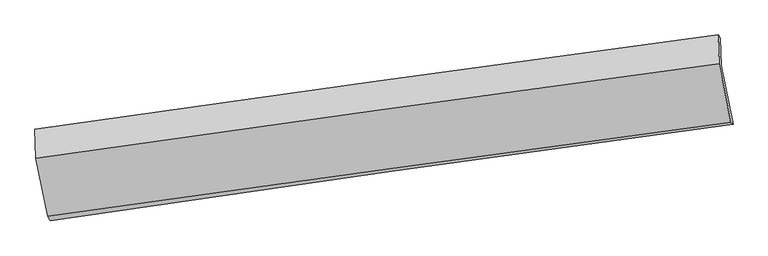
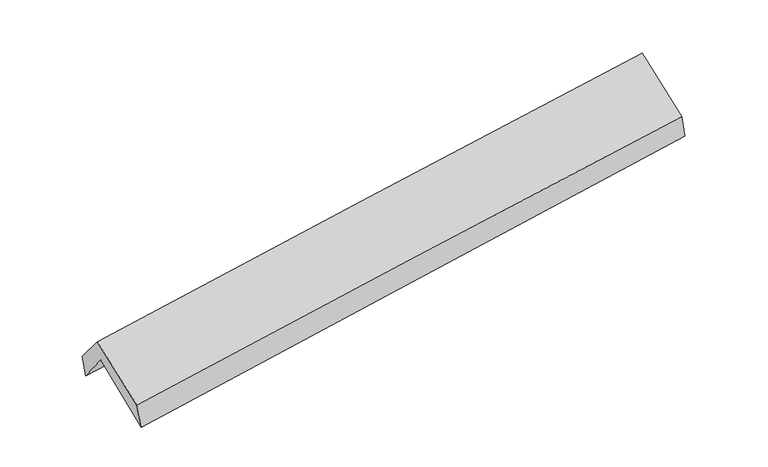
"""IFC4 building model written with IfcOpenShell, lengths in millimetres: proxy geometry."""

from ifc_helpers import new_model, si_unit, frame, origin, place, context, project, spatial, source, transform, mapped, element, save
from ifc_brep_helpers import plane_surface, spline_curve, spline_surface, advanced_brep


def generic_models_cf2023c1(model_context):
    return source(origin(), model_context, "Body", "AdvancedBrep", [
        advanced_brep(
        [(-2903.9904913, -2512.7760789, 1434.3522926), (-3011.568077, -1992.834088, 1874.6681934), (2951.1918659, -1161.4131686, 2360.7609326), (3055.7611963, -1671.9461979, 1941.1529898), (-3019.147864, -1743.6047559, 1557.8176738), (2944.7744811, -918.6139976, 2040.4814883), (-3039.237502, -1714.6103452, 1751.4825925), (2924.4333981, -890.2941796, 2238.2680206), (-3030.4565313, -1964.9974515, 2055.8113953), (2933.3257759, -1143.8580292, 2546.4579425), (-2927.2469775, -2475.2178728, 1652.011517), (3035.9095808, -1650.985037, 2145.1062611)],
        [
            (0, 1),
            (1, 2, spline_curve(3, [(-3011.568077, -1992.834088, 1874.6681934), (-2018.267040838, -1845.401436281, 1946.98905059), (-1024.715759867, -1702.399498704, 2023.657577451), (962.870895957, -1425.259338724, 2185.688633897), (1956.906262422, -1291.120969705, 2271.051020144), (2951.1918659, -1161.4131686, 2360.7609326)], [4, 2, 4], [0.0, 9.90846097045745, 19.816758465417912])),
            (2, 3),
            (3, 0, spline_curve(3, [(3055.7611963, -1671.9461979, 1941.1529898), (2061.865475081, -1804.437155881, 1851.317995327), (1068.275734905, -1940.751181913, 1764.167432901), (-918.308171143, -2221.027682788, 1595.233778705), (-1911.302326808, -2364.990283686, 1513.450775227), (-2903.9904913, -2512.7760789, 1434.3522926)], [4, 2, 4], [0.0, 9.908297494960463, 19.816758465417912])),
            (1, 4),
            (4, 5, spline_curve(3, [(-3019.147864, -1743.6047559, 1557.8176738), (-2024.14023767, -1608.47414219, 1629.786749646), (-1029.638800224, -1472.159028376, 1705.99363909), (958.335298117, -1197.162069972, 1866.881716887), (1951.807975542, -1058.480264237, 1951.56276589), (2944.7744811, -918.6139976, 2040.4814883)], [4, 2, 4], [0.0, 9.908392044396642, 19.81662061443348])),
            (5, 2),
            (4, 6),
            (6, 7, spline_curve(3, [(-3039.237502, -1714.6103452, 1751.4825925), (-2045.983685924, -1573.537205385, 1834.776407224), (-1052.380100235, -1434.307069789, 1916.989092609), (935.51021142, -1159.535075703, 2079.250866236), (1929.796925623, -1023.993155785, 2159.299990353), (2924.4333981, -890.2941796, 2238.2680206)], [4, 2, 4], [0.0, 9.908271466327047, 19.816379460283656])),
            (7, 5),
            (6, 8),
            (8, 9, spline_curve(3, [(-3030.4565313, -1964.9974515, 2055.8113953), (-2037.221283576, -1823.394841146, 2138.46167421), (-1043.617697872, -1684.164705991, 2220.674359604), (944.309750151, -1410.451643365, 2384.223194024), (1938.633600305, -1275.968638031, 2465.559357689), (2933.3257759, -1143.8580292, 2546.4579425)], [4, 2, 4], [0.0, 9.908264712878543, 19.81636595349807])),
            (9, 7),
            (8, 10),
            (10, 11, spline_curve(3, [(-2927.2469775, -2475.2178728, 1652.011517), (-1933.844413894, -2334.442395074, 1734.007184627), (-940.209317509, -2195.36803391, 1816.09658684), (1047.509543108, -1920.623811753, 1980.461504455), (2041.593299389, -1784.953894039, 2062.737017177), (3035.9095808, -1650.985037, 2145.1062611)], [4, 2, 4], [0.0, 9.908254698254735, 19.816345924415682])),
            (11, 9),
            (10, 0),
            (3, 11),
        ],
        [
            spline_surface(3, 3, [[(-2903.9904913, -2512.7760789, 1434.3522926), (-1911.30232685, -2364.99028362, 1513.450775322), (-918.308171093, -2221.027682784, 1595.233778635), (1068.275734855, -1940.751181916, 1764.167432971), (2061.865474996, -1804.437155795, 1851.317995348), (3055.7611963, -1671.9461979, 1941.1529898)], [(-2939.849686546, -2339.46208192, 1581.124259542), (-1946.957231566, -2191.794001166, 1657.963533733), (-953.77736736, -2048.151621466, 1738.041711551), (1033.140788566, -1768.920567467, 1904.674499944), (2026.879070851, -1633.331760396, 1991.229003583), (3020.904752831, -1501.768521479, 2081.022304037)], [(-2975.708881754, -2166.14808498, 1727.896226458), (-1982.612136246, -2018.597718752, 1802.476292119), (-989.24656363, -1875.275560163, 1880.849644504), (998.005842276, -1597.089953032, 2045.181566955), (1991.892666713, -1462.22636496, 2131.140011906), (2986.048309369, -1331.590845021, 2220.891618363)], [(-3011.568077, -1992.834088, 1874.6681934), (-2018.267040962, -1845.401436298, 1946.989050531), (-1024.715759898, -1702.399498845, 2023.657577419), (962.870895987, -1425.259338583, 2185.688633929), (1956.906262568, -1291.12096956, 2271.05102014), (2951.1918659, -1161.4131686, 2360.7609326)]], [4, 4], [4, 2, 4], [0.0, 2.223162782836033], [0.0, 9.90846097045745, 19.816758465417912]),
            spline_surface(3, 3, [[(-3011.568077, -1992.834088, 1874.6681934), (-2018.267040962, -1845.401436298, 1946.989050531), (-1024.715759898, -1702.399498845, 2023.657577419), (962.870895987, -1425.259338583, 2185.688633929), (1956.906262568, -1291.12096956, 2271.05102014), (2951.1918659, -1161.4131686, 2360.7609326)], [(-3014.094672641, -1909.757643969, 1769.051353526), (-2020.224773219, -1766.425671567, 1841.254950266), (-1026.356773327, -1625.652675382, 1917.769597965), (961.359030032, -1349.226915697, 2079.41966164), (1955.20683358, -1213.574067746, 2164.554935415), (2949.052737642, -1080.480111587, 2254.001117848)], [(-3016.621268359, -1826.681199931, 1663.434513674), (-2022.182505552, -1687.44990683, 1735.520850023), (-1027.997786778, -1548.905851902, 1811.88161844), (959.847164056, -1273.194492794, 1973.15068928), (1953.507404566, -1136.027165973, 2058.058850646), (2946.913609358, -999.547054613, 2147.241303052)], [(-3019.147864, -1743.6047559, 1557.8176738), (-2024.140237809, -1608.474142099, 1629.786749758), (-1029.638800207, -1472.159028439, 1705.993638985), (958.335298101, -1197.162069909, 1866.881716991), (1951.807975578, -1058.480264159, 1951.562765921), (2944.7744811, -918.6139976, 2040.4814883)]], [4, 4], [4, 2, 4], [0.0, 1.286719000641371], [0.0, 9.908392044396642, 19.81662061443348]),
            spline_surface(3, 3, [[(-3019.147864, -1743.6047559, 1557.8176738), (-2024.140237809, -1608.474142099, 1629.786749758), (-1029.638800207, -1472.159028439, 1705.993638985), (958.335298101, -1197.162069909, 1866.881716991), (1951.807975578, -1058.480264159, 1951.562765921), (2944.7744811, -918.6139976, 2040.4814883)], [(-3025.844410015, -1733.939952325, 1622.372646717), (-2031.42138718, -1596.828496473, 1698.116635573), (-1037.219233542, -1459.541708953, 1776.325456832), (950.726935858, -1184.619738473, 1937.671433391), (1944.470958976, -1046.984561331, 2020.808507345), (2937.994120117, -909.174058274, 2106.410332385)], [(-3032.540955985, -1724.275148775, 1686.927619583), (-2038.702536507, -1585.18285087, 1766.446521337), (-1044.799666865, -1446.924389423, 1846.657274743), (943.118573627, -1172.077406991, 2008.461149855), (1937.133942322, -1035.488858481, 2090.054248815), (2931.213759083, -899.734118926, 2172.339176515)], [(-3039.237502, -1714.6103452, 1751.4825925), (-2045.983685879, -1573.537205243, 1834.776407152), (-1052.3801002, -1434.307069937, 1916.98909259), (935.510211385, -1159.535075555, 2079.250866255), (1929.796925719, -1023.993155653, 2159.299990239), (2924.4333981, -890.2941796, 2238.2680206)]], [4, 4], [4, 2, 4], [0.0, 0.7093956868541447], [0.0, 9.908271466327047, 19.816379460283656]),
            spline_surface(3, 3, [[(-3039.237502, -1714.6103452, 1751.4825925), (-2045.983685879, -1573.537205243, 1834.776407152), (-1052.3801002, -1434.307069937, 1916.98909259), (935.510211385, -1159.535075555, 2079.250866255), (1929.796925719, -1023.993155653, 2159.299990239), (2924.4333981, -890.2941796, 2238.2680206)], [(-3036.310511768, -1798.072713971, 1852.92552674), (-2043.062885081, -1656.823083909, 1936.004829457), (-1049.459299401, -1517.592948603, 2018.217514895), (938.443390949, -1243.17393152, 2180.90830889), (1932.742483845, -1107.984983093, 2261.386446126), (2927.397524017, -974.815462799, 2340.997994594)], [(-3033.383521532, -1881.535082729, 1954.36846106), (-2040.142084279, -1740.108962561, 2037.233251843), (-1046.5384986, -1600.878827255, 2119.445937181), (941.376570516, -1326.812787471, 2282.565751506), (1935.688042021, -1191.976810538, 2363.472901929), (2930.361649983, -1059.336746001, 2443.727968506)], [(-3030.4565313, -1964.9974515, 2055.8113953), (-2037.221283481, -1823.394841226, 2138.461674149), (-1043.617697801, -1684.16470592, 2220.674359487), (944.30975008, -1410.451643436, 2384.223194141), (1938.633600146, -1275.968637979, 2465.559357816), (2933.3257759, -1143.8580292, 2546.4579425)]], [4, 4], [4, 2, 4], [0.0, 1.2932786738120883], [0.0, 9.908264712878543, 19.81636595349807]),
            spline_surface(3, 3, [[(-3030.4565313, -1964.9974515, 2055.8113953), (-2037.221283481, -1823.394841226, 2138.461674149), (-1043.617697801, -1684.16470592, 2220.674359487), (944.30975008, -1410.451643436, 2384.223194141), (1938.633600146, -1275.968637979, 2465.559357816), (2933.3257759, -1143.8580292, 2546.4579425)], [(-2996.053346706, -2135.070925259, 1921.211435889), (-2002.76232692, -1993.74402586, 2003.643510971), (-1009.148237686, -1854.565815284, 2085.815101914), (978.709681055, -1580.509032806, 2249.635964275), (1972.95349992, -1445.63039001, 2331.285244209), (2967.520377555, -1312.900365131, 2412.674048679)], [(-2961.650162094, -2305.144399041, 1786.611476411), (-1968.303370341, -2164.093210517, 1868.825347727), (-974.678777546, -2024.9669247, 1950.955844332), (1013.109612055, -1750.566422229, 2115.048734401), (2007.27339963, -1615.292142048, 2197.011130665), (3001.714979145, -1481.942701069, 2278.890154921)], [(-2927.2469775, -2475.2178728, 1652.011517), (-1933.84441378, -2334.442395151, 1734.007184549), (-940.209317431, -2195.368034064, 1816.096586759), (1047.50954303, -1920.623811599, 1980.461504536), (2041.593299404, -1784.953894078, 2062.737017058), (3035.9095808, -1650.985037, 2145.1062611)]], [4, 4], [4, 2, 4], [0.0, 2.16343194025329], [0.0, 9.908254698254735, 19.816345924415682]),
            spline_surface(3, 3, [[(-2927.2469775, -2475.2178728, 1652.011517), (-1933.84441378, -2334.442395151, 1734.007184549), (-940.209317431, -2195.368034064, 1816.096586759), (1047.50954303, -1920.623811599, 1980.461504536), (2041.593299404, -1784.953894078, 2062.737017058), (3035.9095808, -1650.985037, 2145.1062611)], [(-2919.494815425, -2487.737274856, 1579.458442186), (-1926.330384795, -2344.625024663, 1660.488381459), (-932.908935313, -2203.921250301, 1742.475650719), (1054.431606977, -1927.332935035, 1908.363480682), (2048.35069124, -1791.448314648, 1992.264009845), (3042.526785938, -1657.972090631, 2077.121837357)], [(-2911.742653375, -2500.256676844, 1506.905367414), (-1918.816355835, -2354.807654108, 1586.969578411), (-925.60855321, -2212.474466547, 1668.854714676), (1061.353670908, -1934.04205848, 1836.265456825), (2055.10808316, -1797.942735226, 1921.791002561), (3049.143991162, -1664.959144269, 2009.137413543)], [(-2903.9904913, -2512.7760789, 1434.3522926), (-1911.30232685, -2364.99028362, 1513.450775322), (-918.308171093, -2221.027682784, 1595.233778635), (1068.275734855, -1940.751181916, 1764.167432971), (2061.865474996, -1804.437155795, 1851.317995348), (3055.7611963, -1671.9461979, 1941.1529898)]], [4, 4], [4, 2, 4], [0.0, 0.7244328626388945], [0.0, 9.908326925797184, 19.816490378308927]),
            plane_surface(frame((2974.2327163, -1239.518435, 2212.0379391), z_axis=(0.9874735935046401, 0.13463369833679428, 0.0822780007243116), x_axis=(0.15666042831994945, -0.774456887038838, -0.6129225402256981))),
            plane_surface(frame((-2988.6079072, -2067.3400987, 1721.0239441), z_axis=(-0.9874735935046338, -0.13463369833701053, -0.08227800072403622), x_axis=(-0.10471325378787945, 0.1691073163914462, 0.9800193110464909))),
        ],
        [
            (0, [[1, 2, 3, 4]]),
            (1, [[5, 6, 7, -2]]),
            (2, [[8, 9, 10, -6]]),
            (3, [[11, 12, 13, -9]]),
            (4, [[14, 15, 16, -12]]),
            (5, [[17, -4, 18, -15]]),
            (6, [[-16, -18, -3, -7, -10, -13]]),
            (7, [[-17, -14, -11, -8, -5, -1]]),
        ],
    ),
    ])


if __name__ == "__main__":
    model = new_model("IFC4")
    model_context = context("Model", 3, world=origin())
    ifc_project = project(units=[si_unit("LENGTHUNIT", "METRE", prefix="MILLI")], contexts=[model_context])
    site = spatial("IfcSite", under=ifc_project)
    building = spatial("IfcBuilding", under=site)
    placement = place(None, origin())
    generic_models_shape = generic_models_cf2023c1(model_context)
    element("IfcBuildingElementProxy", 1, Name="Generic Models", at=placement, inside=building, context=model_context, shape_type="MappedRepresentation", body=[
        mapped(generic_models_shape, transform((0.0, 0.0, 0.0), x_axis=(1.0, 0.0, 0.0), y_axis=(0.0, 1.0, 0.0), z_axis=(0.0, 0.0, 1.0))),
    ])
    save(model, "model.ifc")
